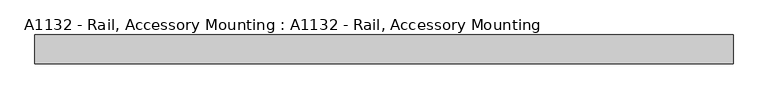
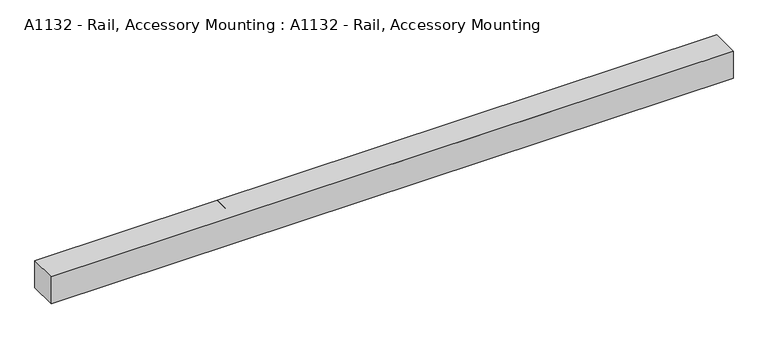
"""IFC4 building model written with IfcOpenShell, lengths in millimetres: proxy geometry, A1132 - Rail, Accessory Mounting : A1132 - Rail, Accessory Mounting."""

from ifc_helpers import new_model, si_unit, frame, origin, origin_with_axes, place, context, project, spatial, polyline, outline, extrude, source, transform, mapped, element, save


def a1132_rail_accessory_mounting_a1132_rail_accessory_mounting_6d59b44b(model_context):
    return source(origin(), model_context, "Body", "SweptSolid", [
        extrude(outline(polyline([(609.6, -50.8), (-609.6, -50.8), (-609.6, 0.0), (609.6, 0.0), (609.6, -50.8)])), origin_with_axes(), (0.0, 0.0, 1.0), 50.8),
        extrude(outline(polyline([(-12.7, 25.4), (-12.7, 0.0), (-38.1, 0.0), (-38.1, 25.4), (-50.8, 25.4), (-50.8, 50.8), (0.0, 50.8), (0.0, 25.4), (-12.7, 25.4)])), frame((-283.8268122, 0.0, 0.0), z_axis=(1.0, 0.0, 0.0), x_axis=(0.0, 1.0, 0.0)), (0.0, 0.0, 1.0), 567.6536245),
    ])


if __name__ == "__main__":
    model = new_model("IFC4")
    model_context = context("Model", 3, world=origin())
    ifc_project = project(units=[si_unit("LENGTHUNIT", "METRE", prefix="MILLI")], contexts=[model_context])
    site = spatial("IfcSite", under=ifc_project)
    building = spatial("IfcBuilding", under=site)
    placement = place(None, origin())
    a1132_rail_accessory_mounting_a1132_rail_accessory_mounting_shape = a1132_rail_accessory_mounting_a1132_rail_accessory_mounting_6d59b44b(model_context)
    element("IfcBuildingElementProxy", 1, Name="A1132 - Rail, Accessory Mounting : A1132 - Rail, Accessory Mounting", ObjectType="A1132 - Rail, Accessory Mounting : A1132 - Rail, Accessory Mounting", at=placement, inside=building, context=model_context, shape_type="MappedRepresentation", body=[
        mapped(a1132_rail_accessory_mounting_a1132_rail_accessory_mounting_shape, transform((0.0, 0.0, 0.0), x_axis=(1.0, 0.0, 0.0), y_axis=(0.0, 1.0, 0.0), z_axis=(0.0, 0.0, 1.0))),
    ])
    save(model, "model.ifc")
